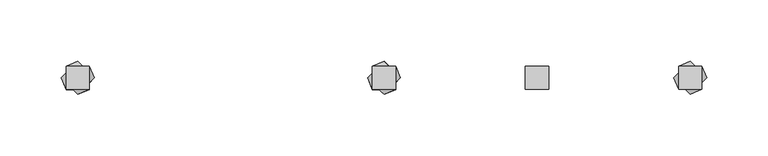
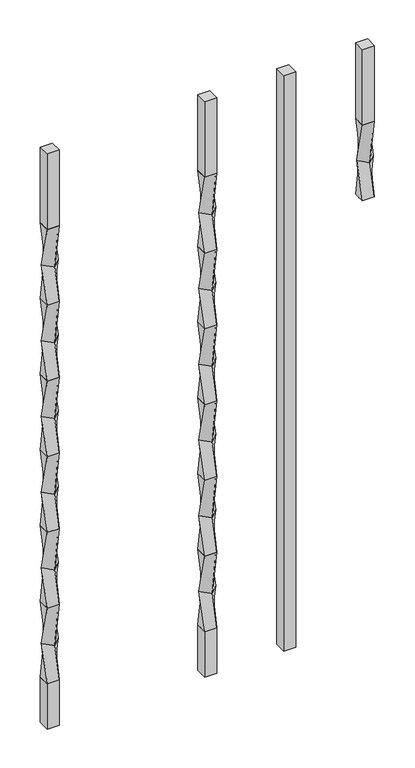
"""IFC4 building model written with IfcOpenShell, lengths in millimetres: proxy geometry."""

from ifc_helpers import new_model, si_unit, frame, origin, place, context, project, spatial, polyline, outline, extrude, source, transform, mapped, element, save
from ifc_brep_helpers import plane_surface, spline_surface, advanced_brep


def specialty_equipment_ef355e65(model_context):
    return source(origin(), model_context, "Body", "SolidModel", [
        advanced_brep(
        [(115.490625, 9.525, 939.8), (115.490625, -9.525, 939.8), (134.540625, -9.525, 939.8), (134.540625, 9.525, 939.8), (125.015625, 13.4703842, 876.3), (138.4860092, 0.0, 876.3), (125.015625, -13.4703842, 876.3), (111.5452408, 0.0, 876.3)],
        [
            (0, 1),
            (1, 2),
            (2, 3),
            (3, 0),
            (4, 5),
            (5, 6),
            (6, 7),
            (7, 4),
            (4, 0),
            (3, 5),
            (2, 6),
            (1, 7),
        ],
        [
            plane_surface(frame((125.015625, 0.0, 939.8), z_axis=(0.0, 0.0, 1.0), x_axis=(0.0, -1.0, 0.0))),
            plane_surface(frame((125.015625, 0.0, 876.3), z_axis=(0.0, 0.0, -1.0), x_axis=(0.0, -1.0, 0.0))),
            spline_surface(1, 1, [[(138.4860092, 0.0, 876.3), (134.540625, 9.525, 939.8)], [(125.015625, 13.4703842, 876.3), (115.490625, 9.525, 939.8)]], [2, 2], [2, 2], [0.0, 1.0], [0.0, 1.0]),
            spline_surface(1, 1, [[(125.015625, -13.4703842, 876.3), (134.540625, -9.525, 939.8)], [(138.4860092, 0.0, 876.3), (134.540625, 9.525, 939.8)]], [2, 2], [2, 2], [0.0, 1.0], [0.0, 1.0]),
            spline_surface(1, 1, [[(111.5452408, 0.0, 876.3), (115.490625, -9.525, 939.8)], [(125.015625, -13.4703842, 876.3), (134.540625, -9.525, 939.8)]], [2, 2], [2, 2], [0.0, 1.0], [0.0, 1.0]),
            spline_surface(1, 1, [[(125.015625, 13.4703842, 876.3), (115.490625, 9.525, 939.8)], [(111.5452408, 0.0, 876.3), (115.490625, -9.525, 939.8)]], [2, 2], [2, 2], [0.0, 1.0], [0.0, 1.0]),
        ],
        [
            (0, [[1, 2, 3, 4]]),
            (1, [[5, 6, 7, 8]]),
            (2, [[-5, 9, -4, 10]]),
            (3, [[-6, -10, -3, 11]]),
            (4, [[-7, -11, -2, 12]]),
            (5, [[-8, -12, -1, -9]]),
        ],
    ),
        advanced_brep(
        [(125.015625, 13.4703842, 876.3), (111.5452408, 0.0, 876.3), (125.015625, -13.4703842, 876.3), (138.4860092, 0.0, 876.3), (115.490625, 9.525, 812.8), (134.540625, 9.525, 812.8), (134.540625, -9.525, 812.8), (115.490625, -9.525, 812.8)],
        [
            (0, 1),
            (1, 2),
            (2, 3),
            (3, 0),
            (4, 5),
            (5, 6),
            (6, 7),
            (7, 4),
            (4, 0),
            (3, 5),
            (2, 6),
            (1, 7),
        ],
        [
            plane_surface(frame((125.015625, 0.0, 876.3), z_axis=(0.0, 0.0, 1.0000000000000002), x_axis=(0.7071067811865481, -0.707106781186547, 0.0))),
            plane_surface(frame((125.015625, 0.0, 812.8), z_axis=(0.0, 0.0, -1.0000000000000002), x_axis=(0.7071067811865481, -0.707106781186547, 0.0))),
            spline_surface(1, 1, [[(134.540625, 9.525, 812.8), (138.4860092, 0.0, 876.3)], [(115.490625, 9.525, 812.8), (125.015625, 13.4703842, 876.3)]], [2, 2], [2, 2], [0.0, 1.0], [0.0, 1.0]),
            spline_surface(1, 1, [[(134.540625, -9.525, 812.8), (125.015625, -13.4703842, 876.3)], [(134.540625, 9.525, 812.8), (138.4860092, 0.0, 876.3)]], [2, 2], [2, 2], [0.0, 1.0], [0.0, 1.0]),
            spline_surface(1, 1, [[(115.490625, -9.525, 812.8), (111.5452408, 0.0, 876.3)], [(134.540625, -9.525, 812.8), (125.015625, -13.4703842, 876.3)]], [2, 2], [2, 2], [0.0, 1.0], [0.0, 1.0]),
            spline_surface(1, 1, [[(115.490625, 9.525, 812.8), (125.015625, 13.4703842, 876.3)], [(115.490625, -9.525, 812.8), (111.5452408, 0.0, 876.3)]], [2, 2], [2, 2], [0.0, 1.0], [0.0, 1.0]),
        ],
        [
            (0, [[1, 2, 3, 4]]),
            (1, [[5, 6, 7, 8]]),
            (2, [[-5, 9, -4, 10]]),
            (3, [[-6, -10, -3, 11]]),
            (4, [[-7, -11, -2, 12]]),
            (5, [[-8, -12, -1, -9]]),
        ],
    ),
        extrude(outline(polyline([(134.540625, 9.525), (134.540625, -9.525), (115.490625, -9.525), (115.490625, 9.525), (134.540625, 9.525)])), frame((0.0, 0.0, 939.8), z_axis=(0.0, 0.0, 1.0), x_axis=(1.0, 0.0, 0.0)), (0.0, 0.0, 1.0), 127.0),
        advanced_brep(
        [(115.490625, 9.525, 812.8), (115.490625, -9.525, 812.8), (134.540625, -9.525, 812.8), (134.540625, 9.525, 812.8), (125.015625, 13.4703842, 749.3), (138.4860092, 0.0, 749.3), (125.015625, -13.4703842, 749.3), (111.5452408, 0.0, 749.3)],
        [
            (0, 1),
            (1, 2),
            (2, 3),
            (3, 0),
            (4, 5),
            (5, 6),
            (6, 7),
            (7, 4),
            (4, 0),
            (3, 5),
            (2, 6),
            (1, 7),
        ],
        [
            plane_surface(frame((125.015625, 0.0, 812.8), z_axis=(0.0, 0.0, 1.0), x_axis=(0.0, -1.0, 0.0))),
            plane_surface(frame((125.015625, 0.0, 749.3), z_axis=(0.0, 0.0, -1.0), x_axis=(0.0, -1.0, 0.0))),
            spline_surface(1, 1, [[(138.4860092, 0.0, 749.3), (134.540625, 9.525, 812.8)], [(125.015625, 13.4703842, 749.3), (115.490625, 9.525, 812.8)]], [2, 2], [2, 2], [0.0, 1.0], [0.0, 1.0]),
            spline_surface(1, 1, [[(125.015625, -13.4703842, 749.3), (134.540625, -9.525, 812.8)], [(138.4860092, 0.0, 749.3), (134.540625, 9.525, 812.8)]], [2, 2], [2, 2], [0.0, 1.0], [0.0, 1.0]),
            spline_surface(1, 1, [[(111.5452408, 0.0, 749.3), (115.490625, -9.525, 812.8)], [(125.015625, -13.4703842, 749.3), (134.540625, -9.525, 812.8)]], [2, 2], [2, 2], [0.0, 1.0], [0.0, 1.0]),
            spline_surface(1, 1, [[(125.015625, 13.4703842, 749.3), (115.490625, 9.525, 812.8)], [(111.5452408, 0.0, 749.3), (115.490625, -9.525, 812.8)]], [2, 2], [2, 2], [0.0, 1.0], [0.0, 1.0]),
        ],
        [
            (0, [[1, 2, 3, 4]]),
            (1, [[5, 6, 7, 8]]),
            (2, [[-5, 9, -4, 10]]),
            (3, [[-6, -10, -3, 11]]),
            (4, [[-7, -11, -2, 12]]),
            (5, [[-8, -12, -1, -9]]),
        ],
    ),
        advanced_brep(
        [(125.015625, 13.4703842, 749.3), (111.5452408, 0.0, 749.3), (125.015625, -13.4703842, 749.3), (138.4860092, 0.0, 749.3), (115.490625, 9.525, 685.8), (134.540625, 9.525, 685.8), (134.540625, -9.525, 685.8), (115.490625, -9.525, 685.8)],
        [
            (0, 1),
            (1, 2),
            (2, 3),
            (3, 0),
            (4, 5),
            (5, 6),
            (6, 7),
            (7, 4),
            (4, 0),
            (3, 5),
            (2, 6),
            (1, 7),
        ],
        [
            plane_surface(frame((125.015625, 0.0, 749.3), z_axis=(0.0, 0.0, 1.0000000000000002), x_axis=(0.7071067811865481, -0.707106781186547, 0.0))),
            plane_surface(frame((125.015625, 0.0, 685.8), z_axis=(0.0, 0.0, -1.0000000000000002), x_axis=(0.7071067811865481, -0.707106781186547, 0.0))),
            spline_surface(1, 1, [[(134.540625, 9.525, 685.8), (138.4860092, 0.0, 749.3)], [(115.490625, 9.525, 685.8), (125.015625, 13.4703842, 749.3)]], [2, 2], [2, 2], [0.0, 1.0], [0.0, 1.0]),
            spline_surface(1, 1, [[(134.540625, -9.525, 685.8), (125.015625, -13.4703842, 749.3)], [(134.540625, 9.525, 685.8), (138.4860092, 0.0, 749.3)]], [2, 2], [2, 2], [0.0, 1.0], [0.0, 1.0]),
            spline_surface(1, 1, [[(115.490625, -9.525, 685.8), (111.5452408, 0.0, 749.3)], [(134.540625, -9.525, 685.8), (125.015625, -13.4703842, 749.3)]], [2, 2], [2, 2], [0.0, 1.0], [0.0, 1.0]),
            spline_surface(1, 1, [[(115.490625, 9.525, 685.8), (125.015625, 13.4703842, 749.3)], [(115.490625, -9.525, 685.8), (111.5452408, 0.0, 749.3)]], [2, 2], [2, 2], [0.0, 1.0], [0.0, 1.0]),
        ],
        [
            (0, [[1, 2, 3, 4]]),
            (1, [[5, 6, 7, 8]]),
            (2, [[-5, 9, -4, 10]]),
            (3, [[-6, -10, -3, 11]]),
            (4, [[-7, -11, -2, 12]]),
            (5, [[-8, -12, -1, -9]]),
        ],
    ),
        advanced_brep(
        [(115.490625, 9.525, 685.8), (115.490625, -9.525, 685.8), (134.540625, -9.525, 685.8), (134.540625, 9.525, 685.8), (125.015625, 13.4703842, 622.3), (138.4860092, 0.0, 622.3), (125.015625, -13.4703842, 622.3), (111.5452408, 0.0, 622.3)],
        [
            (0, 1),
            (1, 2),
            (2, 3),
            (3, 0),
            (4, 5),
            (5, 6),
            (6, 7),
            (7, 4),
            (4, 0),
            (3, 5),
            (2, 6),
            (1, 7),
        ],
        [
            plane_surface(frame((125.015625, 0.0, 685.8), z_axis=(0.0, 0.0, 1.0), x_axis=(0.0, -1.0, 0.0))),
            plane_surface(frame((125.015625, 0.0, 622.3), z_axis=(0.0, 0.0, -1.0), x_axis=(0.0, -1.0, 0.0))),
            spline_surface(1, 1, [[(138.4860092, 0.0, 622.3), (134.540625, 9.525, 685.8)], [(125.015625, 13.4703842, 622.3), (115.490625, 9.525, 685.8)]], [2, 2], [2, 2], [0.0, 1.0], [0.0, 1.0]),
            spline_surface(1, 1, [[(125.015625, -13.4703842, 622.3), (134.540625, -9.525, 685.8)], [(138.4860092, 0.0, 622.3), (134.540625, 9.525, 685.8)]], [2, 2], [2, 2], [0.0, 1.0], [0.0, 1.0]),
            spline_surface(1, 1, [[(111.5452408, 0.0, 622.3), (115.490625, -9.525, 685.8)], [(125.015625, -13.4703842, 622.3), (134.540625, -9.525, 685.8)]], [2, 2], [2, 2], [0.0, 1.0], [0.0, 1.0]),
            spline_surface(1, 1, [[(125.015625, 13.4703842, 622.3), (115.490625, 9.525, 685.8)], [(111.5452408, 0.0, 622.3), (115.490625, -9.525, 685.8)]], [2, 2], [2, 2], [0.0, 1.0], [0.0, 1.0]),
        ],
        [
            (0, [[1, 2, 3, 4]]),
            (1, [[5, 6, 7, 8]]),
            (2, [[-5, 9, -4, 10]]),
            (3, [[-6, -10, -3, 11]]),
            (4, [[-7, -11, -2, 12]]),
            (5, [[-8, -12, -1, -9]]),
        ],
    ),
        advanced_brep(
        [(125.015625, 13.4703842, 622.3), (111.5452408, 0.0, 622.3), (125.015625, -13.4703842, 622.3), (138.4860092, 0.0, 622.3), (115.490625, 9.525, 558.8), (134.540625, 9.525, 558.8), (134.540625, -9.525, 558.8), (115.490625, -9.525, 558.8)],
        [
            (0, 1),
            (1, 2),
            (2, 3),
            (3, 0),
            (4, 5),
            (5, 6),
            (6, 7),
            (7, 4),
            (4, 0),
            (3, 5),
            (2, 6),
            (1, 7),
        ],
        [
            plane_surface(frame((125.015625, 0.0, 622.3), z_axis=(0.0, 0.0, 1.0000000000000002), x_axis=(0.7071067811865481, -0.707106781186547, 0.0))),
            plane_surface(frame((125.015625, 0.0, 558.8), z_axis=(0.0, 0.0, -1.0000000000000002), x_axis=(0.7071067811865481, -0.707106781186547, 0.0))),
            spline_surface(1, 1, [[(134.540625, 9.525, 558.8), (138.4860092, 0.0, 622.3)], [(115.490625, 9.525, 558.8), (125.015625, 13.4703842, 622.3)]], [2, 2], [2, 2], [0.0, 1.0], [0.0, 1.0]),
            spline_surface(1, 1, [[(134.540625, -9.525, 558.8), (125.015625, -13.4703842, 622.3)], [(134.540625, 9.525, 558.8), (138.4860092, 0.0, 622.3)]], [2, 2], [2, 2], [0.0, 1.0], [0.0, 1.0]),
            spline_surface(1, 1, [[(115.490625, -9.525, 558.8), (111.5452408, 0.0, 622.3)], [(134.540625, -9.525, 558.8), (125.015625, -13.4703842, 622.3)]], [2, 2], [2, 2], [0.0, 1.0], [0.0, 1.0]),
            spline_surface(1, 1, [[(115.490625, 9.525, 558.8), (125.015625, 13.4703842, 622.3)], [(115.490625, -9.525, 558.8), (111.5452408, 0.0, 622.3)]], [2, 2], [2, 2], [0.0, 1.0], [0.0, 1.0]),
        ],
        [
            (0, [[1, 2, 3, 4]]),
            (1, [[5, 6, 7, 8]]),
            (2, [[-5, 9, -4, 10]]),
            (3, [[-6, -10, -3, 11]]),
            (4, [[-7, -11, -2, 12]]),
            (5, [[-8, -12, -1, -9]]),
        ],
    ),
        advanced_brep(
        [(115.490625, 9.525, 558.8), (115.490625, -9.525, 558.8), (134.540625, -9.525, 558.8), (134.540625, 9.525, 558.8), (125.015625, 13.4703842, 495.3), (138.4860092, 0.0, 495.3), (125.015625, -13.4703842, 495.3), (111.5452408, 0.0, 495.3)],
        [
            (0, 1),
            (1, 2),
            (2, 3),
            (3, 0),
            (4, 5),
            (5, 6),
            (6, 7),
            (7, 4),
            (4, 0),
            (3, 5),
            (2, 6),
            (1, 7),
        ],
        [
            plane_surface(frame((125.015625, 0.0, 558.8), z_axis=(0.0, 0.0, 1.0), x_axis=(0.0, -1.0, 0.0))),
            plane_surface(frame((125.015625, 0.0, 495.3), z_axis=(0.0, 0.0, -1.0), x_axis=(0.0, -1.0, 0.0))),
            spline_surface(1, 1, [[(138.4860092, 0.0, 495.3), (134.540625, 9.525, 558.8)], [(125.015625, 13.4703842, 495.3), (115.490625, 9.525, 558.8)]], [2, 2], [2, 2], [0.0, 1.0], [0.0, 1.0]),
            spline_surface(1, 1, [[(125.015625, -13.4703842, 495.3), (134.540625, -9.525, 558.8)], [(138.4860092, 0.0, 495.3), (134.540625, 9.525, 558.8)]], [2, 2], [2, 2], [0.0, 1.0], [0.0, 1.0]),
            spline_surface(1, 1, [[(111.5452408, 0.0, 495.3), (115.490625, -9.525, 558.8)], [(125.015625, -13.4703842, 495.3), (134.540625, -9.525, 558.8)]], [2, 2], [2, 2], [0.0, 1.0], [0.0, 1.0]),
            spline_surface(1, 1, [[(125.015625, 13.4703842, 495.3), (115.490625, 9.525, 558.8)], [(111.5452408, 0.0, 495.3), (115.490625, -9.525, 558.8)]], [2, 2], [2, 2], [0.0, 1.0], [0.0, 1.0]),
        ],
        [
            (0, [[1, 2, 3, 4]]),
            (1, [[5, 6, 7, 8]]),
            (2, [[-5, 9, -4, 10]]),
            (3, [[-6, -10, -3, 11]]),
            (4, [[-7, -11, -2, 12]]),
            (5, [[-8, -12, -1, -9]]),
        ],
    ),
        advanced_brep(
        [(125.015625, 13.4703842, 495.3), (111.5452408, 0.0, 495.3), (125.015625, -13.4703842, 495.3), (138.4860092, 0.0, 495.3), (115.490625, 9.525, 431.8), (134.540625, 9.525, 431.8), (134.540625, -9.525, 431.8), (115.490625, -9.525, 431.8)],
        [
            (0, 1),
            (1, 2),
            (2, 3),
            (3, 0),
            (4, 5),
            (5, 6),
            (6, 7),
            (7, 4),
            (4, 0),
            (3, 5),
            (2, 6),
            (1, 7),
        ],
        [
            plane_surface(frame((125.015625, 0.0, 495.3), z_axis=(0.0, 0.0, 1.0000000000000002), x_axis=(0.7071067811865481, -0.707106781186547, 0.0))),
            plane_surface(frame((125.015625, 0.0, 431.8), z_axis=(0.0, 0.0, -1.0000000000000002), x_axis=(0.7071067811865481, -0.707106781186547, 0.0))),
            spline_surface(1, 1, [[(134.540625, 9.525, 431.8), (138.4860092, 0.0, 495.3)], [(115.490625, 9.525, 431.8), (125.015625, 13.4703842, 495.3)]], [2, 2], [2, 2], [0.0, 1.0], [0.0, 1.0]),
            spline_surface(1, 1, [[(134.540625, -9.525, 431.8), (125.015625, -13.4703842, 495.3)], [(134.540625, 9.525, 431.8), (138.4860092, 0.0, 495.3)]], [2, 2], [2, 2], [0.0, 1.0], [0.0, 1.0]),
            spline_surface(1, 1, [[(115.490625, -9.525, 431.8), (111.5452408, 0.0, 495.3)], [(134.540625, -9.525, 431.8), (125.015625, -13.4703842, 495.3)]], [2, 2], [2, 2], [0.0, 1.0], [0.0, 1.0]),
            spline_surface(1, 1, [[(115.490625, 9.525, 431.8), (125.015625, 13.4703842, 495.3)], [(115.490625, -9.525, 431.8), (111.5452408, 0.0, 495.3)]], [2, 2], [2, 2], [0.0, 1.0], [0.0, 1.0]),
        ],
        [
            (0, [[1, 2, 3, 4]]),
            (1, [[5, 6, 7, 8]]),
            (2, [[-5, 9, -4, 10]]),
            (3, [[-6, -10, -3, 11]]),
            (4, [[-7, -11, -2, 12]]),
            (5, [[-8, -12, -1, -9]]),
        ],
    ),
        advanced_brep(
        [(115.490625, 9.525, 431.8), (115.490625, -9.525, 431.8), (134.540625, -9.525, 431.8), (134.540625, 9.525, 431.8), (125.015625, 13.4703842, 368.3), (138.4860092, 0.0, 368.3), (125.015625, -13.4703842, 368.3), (111.5452408, 0.0, 368.3)],
        [
            (0, 1),
            (1, 2),
            (2, 3),
            (3, 0),
            (4, 5),
            (5, 6),
            (6, 7),
            (7, 4),
            (4, 0),
            (3, 5),
            (2, 6),
            (1, 7),
        ],
        [
            plane_surface(frame((125.015625, 0.0, 431.8), z_axis=(0.0, 0.0, 1.0), x_axis=(0.0, -1.0, 0.0))),
            plane_surface(frame((125.015625, 0.0, 368.3), z_axis=(0.0, 0.0, -1.0), x_axis=(0.0, -1.0, 0.0))),
            spline_surface(1, 1, [[(138.4860092, 0.0, 368.3), (134.540625, 9.525, 431.8)], [(125.015625, 13.4703842, 368.3), (115.490625, 9.525, 431.8)]], [2, 2], [2, 2], [0.0, 1.0], [0.0, 1.0]),
            spline_surface(1, 1, [[(125.015625, -13.4703842, 368.3), (134.540625, -9.525, 431.8)], [(138.4860092, 0.0, 368.3), (134.540625, 9.525, 431.8)]], [2, 2], [2, 2], [0.0, 1.0], [0.0, 1.0]),
            spline_surface(1, 1, [[(111.5452408, 0.0, 368.3), (115.490625, -9.525, 431.8)], [(125.015625, -13.4703842, 368.3), (134.540625, -9.525, 431.8)]], [2, 2], [2, 2], [0.0, 1.0], [0.0, 1.0]),
            spline_surface(1, 1, [[(125.015625, 13.4703842, 368.3), (115.490625, 9.525, 431.8)], [(111.5452408, 0.0, 368.3), (115.490625, -9.525, 431.8)]], [2, 2], [2, 2], [0.0, 1.0], [0.0, 1.0]),
        ],
        [
            (0, [[1, 2, 3, 4]]),
            (1, [[5, 6, 7, 8]]),
            (2, [[-5, 9, -4, 10]]),
            (3, [[-6, -10, -3, 11]]),
            (4, [[-7, -11, -2, 12]]),
            (5, [[-8, -12, -1, -9]]),
        ],
    ),
        advanced_brep(
        [(125.015625, 13.4703842, 368.3), (111.5452408, 0.0, 368.3), (125.015625, -13.4703842, 368.3), (138.4860092, 0.0, 368.3), (115.490625, 9.525, 304.8), (134.540625, 9.525, 304.8), (134.540625, -9.525, 304.8), (115.490625, -9.525, 304.8)],
        [
            (0, 1),
            (1, 2),
            (2, 3),
            (3, 0),
            (4, 5),
            (5, 6),
            (6, 7),
            (7, 4),
            (4, 0),
            (3, 5),
            (2, 6),
            (1, 7),
        ],
        [
            plane_surface(frame((125.015625, 0.0, 368.3), z_axis=(0.0, 0.0, 1.0000000000000002), x_axis=(0.7071067811865481, -0.707106781186547, 0.0))),
            plane_surface(frame((125.015625, 0.0, 304.8), z_axis=(0.0, 0.0, -1.0000000000000002), x_axis=(0.7071067811865481, -0.707106781186547, 0.0))),
            spline_surface(1, 1, [[(134.540625, 9.525, 304.8), (138.4860092, 0.0, 368.3)], [(115.490625, 9.525, 304.8), (125.015625, 13.4703842, 368.3)]], [2, 2], [2, 2], [0.0, 1.0], [0.0, 1.0]),
            spline_surface(1, 1, [[(134.540625, -9.525, 304.8), (125.015625, -13.4703842, 368.3)], [(134.540625, 9.525, 304.8), (138.4860092, 0.0, 368.3)]], [2, 2], [2, 2], [0.0, 1.0], [0.0, 1.0]),
            spline_surface(1, 1, [[(115.490625, -9.525, 304.8), (111.5452408, 0.0, 368.3)], [(134.540625, -9.525, 304.8), (125.015625, -13.4703842, 368.3)]], [2, 2], [2, 2], [0.0, 1.0], [0.0, 1.0]),
            spline_surface(1, 1, [[(115.490625, 9.525, 304.8), (125.015625, 13.4703842, 368.3)], [(115.490625, -9.525, 304.8), (111.5452408, 0.0, 368.3)]], [2, 2], [2, 2], [0.0, 1.0], [0.0, 1.0]),
        ],
        [
            (0, [[1, 2, 3, 4]]),
            (1, [[5, 6, 7, 8]]),
            (2, [[-5, 9, -4, 10]]),
            (3, [[-6, -10, -3, 11]]),
            (4, [[-7, -11, -2, 12]]),
            (5, [[-8, -12, -1, -9]]),
        ],
    ),
        advanced_brep(
        [(115.490625, 9.525, 304.8), (115.490625, -9.525, 304.8), (134.540625, -9.525, 304.8), (134.540625, 9.525, 304.8), (125.015625, 13.4703842, 241.3), (138.4860092, 0.0, 241.3), (125.015625, -13.4703842, 241.3), (111.5452408, 0.0, 241.3)],
        [
            (0, 1),
            (1, 2),
            (2, 3),
            (3, 0),
            (4, 5),
            (5, 6),
            (6, 7),
            (7, 4),
            (4, 0),
            (3, 5),
            (2, 6),
            (1, 7),
        ],
        [
            plane_surface(frame((125.015625, 0.0, 304.8), z_axis=(0.0, 0.0, 1.0), x_axis=(0.0, -1.0, 0.0))),
            plane_surface(frame((125.015625, 0.0, 241.3), z_axis=(0.0, 0.0, -1.0), x_axis=(0.0, -1.0, 0.0))),
            spline_surface(1, 1, [[(138.4860092, 0.0, 241.3), (134.540625, 9.525, 304.8)], [(125.015625, 13.4703842, 241.3), (115.490625, 9.525, 304.8)]], [2, 2], [2, 2], [0.0, 1.0], [0.0, 1.0]),
            spline_surface(1, 1, [[(125.015625, -13.4703842, 241.3), (134.540625, -9.525, 304.8)], [(138.4860092, 0.0, 241.3), (134.540625, 9.525, 304.8)]], [2, 2], [2, 2], [0.0, 1.0], [0.0, 1.0]),
            spline_surface(1, 1, [[(111.5452408, 0.0, 241.3), (115.490625, -9.525, 304.8)], [(125.015625, -13.4703842, 241.3), (134.540625, -9.525, 304.8)]], [2, 2], [2, 2], [0.0, 1.0], [0.0, 1.0]),
            spline_surface(1, 1, [[(125.015625, 13.4703842, 241.3), (115.490625, 9.525, 304.8)], [(111.5452408, 0.0, 241.3), (115.490625, -9.525, 304.8)]], [2, 2], [2, 2], [0.0, 1.0], [0.0, 1.0]),
        ],
        [
            (0, [[1, 2, 3, 4]]),
            (1, [[5, 6, 7, 8]]),
            (2, [[-5, 9, -4, 10]]),
            (3, [[-6, -10, -3, 11]]),
            (4, [[-7, -11, -2, 12]]),
            (5, [[-8, -12, -1, -9]]),
        ],
    ),
        advanced_brep(
        [(125.015625, 13.4703842, 241.3), (111.5452408, 0.0, 241.3), (125.015625, -13.4703842, 241.3), (138.4860092, 0.0, 241.3), (115.490625, 9.525, 177.8), (134.540625, 9.525, 177.8), (134.540625, -9.525, 177.8), (115.490625, -9.525, 177.8)],
        [
            (0, 1),
            (1, 2),
            (2, 3),
            (3, 0),
            (4, 5),
            (5, 6),
            (6, 7),
            (7, 4),
            (4, 0),
            (3, 5),
            (2, 6),
            (1, 7),
        ],
        [
            plane_surface(frame((125.015625, 0.0, 241.3), z_axis=(0.0, 0.0, 1.0000000000000002), x_axis=(0.7071067811865481, -0.707106781186547, 0.0))),
            plane_surface(frame((125.015625, 0.0, 177.8), z_axis=(0.0, 0.0, -1.0000000000000002), x_axis=(0.7071067811865481, -0.707106781186547, 0.0))),
            spline_surface(1, 1, [[(134.540625, 9.525, 177.8), (138.4860092, 0.0, 241.3)], [(115.490625, 9.525, 177.8), (125.015625, 13.4703842, 241.3)]], [2, 2], [2, 2], [0.0, 1.0], [0.0, 1.0]),
            spline_surface(1, 1, [[(134.540625, -9.525, 177.8), (125.015625, -13.4703842, 241.3)], [(134.540625, 9.525, 177.8), (138.4860092, 0.0, 241.3)]], [2, 2], [2, 2], [0.0, 1.0], [0.0, 1.0]),
            spline_surface(1, 1, [[(115.490625, -9.525, 177.8), (111.5452408, 0.0, 241.3)], [(134.540625, -9.525, 177.8), (125.015625, -13.4703842, 241.3)]], [2, 2], [2, 2], [0.0, 1.0], [0.0, 1.0]),
            spline_surface(1, 1, [[(115.490625, 9.525, 177.8), (125.015625, 13.4703842, 241.3)], [(115.490625, -9.525, 177.8), (111.5452408, 0.0, 241.3)]], [2, 2], [2, 2], [0.0, 1.0], [0.0, 1.0]),
        ],
        [
            (0, [[1, 2, 3, 4]]),
            (1, [[5, 6, 7, 8]]),
            (2, [[-5, 9, -4, 10]]),
            (3, [[-6, -10, -3, 11]]),
            (4, [[-7, -11, -2, 12]]),
            (5, [[-8, -12, -1, -9]]),
        ],
    ),
        extrude(outline(polyline([(134.540625, 9.525), (134.540625, -9.525), (115.490625, -9.525), (115.490625, 9.525), (134.540625, 9.525)])), frame((0.0, 0.0, 101.6), z_axis=(0.0, 0.0, 1.0), x_axis=(1.0, 0.0, 0.0)), (0.0, 0.0, 1.0), 76.2),
        extrude(outline(polyline([(259.55625, 9.525), (259.55625, -9.525), (240.50625, -9.525), (240.50625, 9.525), (259.55625, 9.525)])), frame((0.0, 0.0, 101.6), z_axis=(0.0, 0.0, 1.0), x_axis=(1.0, 0.0, 0.0)), (0.0, 0.0, 1.0), 965.2),
        advanced_brep(
        [(-134.540625, 9.525, 939.8), (-134.540625, -9.525, 939.8), (-115.490625, -9.525, 939.8), (-115.490625, 9.525, 939.8), (-125.015625, 13.4703842, 876.3), (-111.5452408, 0.0, 876.3), (-125.015625, -13.4703842, 876.3), (-138.4860092, 0.0, 876.3)],
        [
            (0, 1),
            (1, 2),
            (2, 3),
            (3, 0),
            (4, 5),
            (5, 6),
            (6, 7),
            (7, 4),
            (4, 0),
            (3, 5),
            (2, 6),
            (1, 7),
        ],
        [
            plane_surface(frame((-125.015625, 0.0, 939.8), z_axis=(0.0, 0.0, 1.0), x_axis=(0.0, -1.0, 0.0))),
            plane_surface(frame((-125.015625, 0.0, 876.3), z_axis=(0.0, 0.0, -1.0), x_axis=(0.0, -1.0, 0.0))),
            spline_surface(1, 1, [[(-111.5452408, 0.0, 876.3), (-115.490625, 9.525, 939.8)], [(-125.015625, 13.4703842, 876.3), (-134.540625, 9.525, 939.8)]], [2, 2], [2, 2], [0.0, 1.0], [0.0, 1.0]),
            spline_surface(1, 1, [[(-125.015625, -13.4703842, 876.3), (-115.490625, -9.525, 939.8)], [(-111.5452408, 0.0, 876.3), (-115.490625, 9.525, 939.8)]], [2, 2], [2, 2], [0.0, 1.0], [0.0, 1.0]),
            spline_surface(1, 1, [[(-138.4860092, 0.0, 876.3), (-134.540625, -9.525, 939.8)], [(-125.015625, -13.4703842, 876.3), (-115.490625, -9.525, 939.8)]], [2, 2], [2, 2], [0.0, 1.0], [0.0, 1.0]),
            spline_surface(1, 1, [[(-125.015625, 13.4703842, 876.3), (-134.540625, 9.525, 939.8)], [(-138.4860092, 0.0, 876.3), (-134.540625, -9.525, 939.8)]], [2, 2], [2, 2], [0.0, 1.0], [0.0, 1.0]),
        ],
        [
            (0, [[1, 2, 3, 4]]),
            (1, [[5, 6, 7, 8]]),
            (2, [[-5, 9, -4, 10]]),
            (3, [[-6, -10, -3, 11]]),
            (4, [[-7, -11, -2, 12]]),
            (5, [[-8, -12, -1, -9]]),
        ],
    ),
        advanced_brep(
        [(-125.015625, 13.4703842, 876.3), (-138.4860092, 0.0, 876.3), (-125.015625, -13.4703842, 876.3), (-111.5452408, 0.0, 876.3), (-134.540625, 9.525, 812.8), (-115.490625, 9.525, 812.8), (-115.490625, -9.525, 812.8), (-134.540625, -9.525, 812.8)],
        [
            (0, 1),
            (1, 2),
            (2, 3),
            (3, 0),
            (4, 5),
            (5, 6),
            (6, 7),
            (7, 4),
            (4, 0),
            (3, 5),
            (2, 6),
            (1, 7),
        ],
        [
            plane_surface(frame((-125.015625, 0.0, 876.3), z_axis=(0.0, 0.0, 1.0000000000000002), x_axis=(0.7071067811865481, -0.707106781186547, 0.0))),
            plane_surface(frame((-125.015625, 0.0, 812.8), z_axis=(0.0, 0.0, -1.0000000000000002), x_axis=(0.7071067811865481, -0.707106781186547, 0.0))),
            spline_surface(1, 1, [[(-115.490625, 9.525, 812.8), (-111.5452408, 0.0, 876.3)], [(-134.540625, 9.525, 812.8), (-125.015625, 13.4703842, 876.3)]], [2, 2], [2, 2], [0.0, 1.0], [0.0, 1.0]),
            spline_surface(1, 1, [[(-115.490625, -9.525, 812.8), (-125.015625, -13.4703842, 876.3)], [(-115.490625, 9.525, 812.8), (-111.5452408, 0.0, 876.3)]], [2, 2], [2, 2], [0.0, 1.0], [0.0, 1.0]),
            spline_surface(1, 1, [[(-134.540625, -9.525, 812.8), (-138.4860092, 0.0, 876.3)], [(-115.490625, -9.525, 812.8), (-125.015625, -13.4703842, 876.3)]], [2, 2], [2, 2], [0.0, 1.0], [0.0, 1.0]),
            spline_surface(1, 1, [[(-134.540625, 9.525, 812.8), (-125.015625, 13.4703842, 876.3)], [(-134.540625, -9.525, 812.8), (-138.4860092, 0.0, 876.3)]], [2, 2], [2, 2], [0.0, 1.0], [0.0, 1.0]),
        ],
        [
            (0, [[1, 2, 3, 4]]),
            (1, [[5, 6, 7, 8]]),
            (2, [[-5, 9, -4, 10]]),
            (3, [[-6, -10, -3, 11]]),
            (4, [[-7, -11, -2, 12]]),
            (5, [[-8, -12, -1, -9]]),
        ],
    ),
        extrude(outline(polyline([(-115.490625, 9.525), (-115.490625, -9.525), (-134.540625, -9.525), (-134.540625, 9.525), (-115.490625, 9.525)])), frame((0.0, 0.0, 939.8), z_axis=(0.0, 0.0, 1.0), x_axis=(1.0, 0.0, 0.0)), (0.0, 0.0, 1.0), 127.0),
        advanced_brep(
        [(-134.540625, 9.525, 812.8), (-134.540625, -9.525, 812.8), (-115.490625, -9.525, 812.8), (-115.490625, 9.525, 812.8), (-125.015625, 13.4703842, 749.3), (-111.5452408, 0.0, 749.3), (-125.015625, -13.4703842, 749.3), (-138.4860092, 0.0, 749.3)],
        [
            (0, 1),
            (1, 2),
            (2, 3),
            (3, 0),
            (4, 5),
            (5, 6),
            (6, 7),
            (7, 4),
            (4, 0),
            (3, 5),
            (2, 6),
            (1, 7),
        ],
        [
            plane_surface(frame((-125.015625, 0.0, 812.8), z_axis=(0.0, 0.0, 1.0), x_axis=(0.0, -1.0, 0.0))),
            plane_surface(frame((-125.015625, 0.0, 749.3), z_axis=(0.0, 0.0, -1.0), x_axis=(0.0, -1.0, 0.0))),
            spline_surface(1, 1, [[(-111.5452408, 0.0, 749.3), (-115.490625, 9.525, 812.8)], [(-125.015625, 13.4703842, 749.3), (-134.540625, 9.525, 812.8)]], [2, 2], [2, 2], [0.0, 1.0], [0.0, 1.0]),
            spline_surface(1, 1, [[(-125.015625, -13.4703842, 749.3), (-115.490625, -9.525, 812.8)], [(-111.5452408, 0.0, 749.3), (-115.490625, 9.525, 812.8)]], [2, 2], [2, 2], [0.0, 1.0], [0.0, 1.0]),
            spline_surface(1, 1, [[(-138.4860092, 0.0, 749.3), (-134.540625, -9.525, 812.8)], [(-125.015625, -13.4703842, 749.3), (-115.490625, -9.525, 812.8)]], [2, 2], [2, 2], [0.0, 1.0], [0.0, 1.0]),
            spline_surface(1, 1, [[(-125.015625, 13.4703842, 749.3), (-134.540625, 9.525, 812.8)], [(-138.4860092, 0.0, 749.3), (-134.540625, -9.525, 812.8)]], [2, 2], [2, 2], [0.0, 1.0], [0.0, 1.0]),
        ],
        [
            (0, [[1, 2, 3, 4]]),
            (1, [[5, 6, 7, 8]]),
            (2, [[-5, 9, -4, 10]]),
            (3, [[-6, -10, -3, 11]]),
            (4, [[-7, -11, -2, 12]]),
            (5, [[-8, -12, -1, -9]]),
        ],
    ),
        advanced_brep(
        [(-125.015625, 13.4703842, 749.3), (-138.4860092, 0.0, 749.3), (-125.015625, -13.4703842, 749.3), (-111.5452408, 0.0, 749.3), (-134.540625, 9.525, 685.8), (-115.490625, 9.525, 685.8), (-115.490625, -9.525, 685.8), (-134.540625, -9.525, 685.8)],
        [
            (0, 1),
            (1, 2),
            (2, 3),
            (3, 0),
            (4, 5),
            (5, 6),
            (6, 7),
            (7, 4),
            (4, 0),
            (3, 5),
            (2, 6),
            (1, 7),
        ],
        [
            plane_surface(frame((-125.015625, 0.0, 749.3), z_axis=(0.0, 0.0, 1.0000000000000002), x_axis=(0.7071067811865481, -0.707106781186547, 0.0))),
            plane_surface(frame((-125.015625, 0.0, 685.8), z_axis=(0.0, 0.0, -1.0000000000000002), x_axis=(0.7071067811865481, -0.707106781186547, 0.0))),
            spline_surface(1, 1, [[(-115.490625, 9.525, 685.8), (-111.5452408, 0.0, 749.3)], [(-134.540625, 9.525, 685.8), (-125.015625, 13.4703842, 749.3)]], [2, 2], [2, 2], [0.0, 1.0], [0.0, 1.0]),
            spline_surface(1, 1, [[(-115.490625, -9.525, 685.8), (-125.015625, -13.4703842, 749.3)], [(-115.490625, 9.525, 685.8), (-111.5452408, 0.0, 749.3)]], [2, 2], [2, 2], [0.0, 1.0], [0.0, 1.0]),
            spline_surface(1, 1, [[(-134.540625, -9.525, 685.8), (-138.4860092, 0.0, 749.3)], [(-115.490625, -9.525, 685.8), (-125.015625, -13.4703842, 749.3)]], [2, 2], [2, 2], [0.0, 1.0], [0.0, 1.0]),
            spline_surface(1, 1, [[(-134.540625, 9.525, 685.8), (-125.015625, 13.4703842, 749.3)], [(-134.540625, -9.525, 685.8), (-138.4860092, 0.0, 749.3)]], [2, 2], [2, 2], [0.0, 1.0], [0.0, 1.0]),
        ],
        [
            (0, [[1, 2, 3, 4]]),
            (1, [[5, 6, 7, 8]]),
            (2, [[-5, 9, -4, 10]]),
            (3, [[-6, -10, -3, 11]]),
            (4, [[-7, -11, -2, 12]]),
            (5, [[-8, -12, -1, -9]]),
        ],
    ),
        advanced_brep(
        [(-134.540625, 9.525, 685.8), (-134.540625, -9.525, 685.8), (-115.490625, -9.525, 685.8), (-115.490625, 9.525, 685.8), (-125.015625, 13.4703842, 622.3), (-111.5452408, 0.0, 622.3), (-125.015625, -13.4703842, 622.3), (-138.4860092, 0.0, 622.3)],
        [
            (0, 1),
            (1, 2),
            (2, 3),
            (3, 0),
            (4, 5),
            (5, 6),
            (6, 7),
            (7, 4),
            (4, 0),
            (3, 5),
            (2, 6),
            (1, 7),
        ],
        [
            plane_surface(frame((-125.015625, 0.0, 685.8), z_axis=(0.0, 0.0, 1.0), x_axis=(0.0, -1.0, 0.0))),
            plane_surface(frame((-125.015625, 0.0, 622.3), z_axis=(0.0, 0.0, -1.0), x_axis=(0.0, -1.0, 0.0))),
            spline_surface(1, 1, [[(-111.5452408, 0.0, 622.3), (-115.490625, 9.525, 685.8)], [(-125.015625, 13.4703842, 622.3), (-134.540625, 9.525, 685.8)]], [2, 2], [2, 2], [0.0, 1.0], [0.0, 1.0]),
            spline_surface(1, 1, [[(-125.015625, -13.4703842, 622.3), (-115.490625, -9.525, 685.8)], [(-111.5452408, 0.0, 622.3), (-115.490625, 9.525, 685.8)]], [2, 2], [2, 2], [0.0, 1.0], [0.0, 1.0]),
            spline_surface(1, 1, [[(-138.4860092, 0.0, 622.3), (-134.540625, -9.525, 685.8)], [(-125.015625, -13.4703842, 622.3), (-115.490625, -9.525, 685.8)]], [2, 2], [2, 2], [0.0, 1.0], [0.0, 1.0]),
            spline_surface(1, 1, [[(-125.015625, 13.4703842, 622.3), (-134.540625, 9.525, 685.8)], [(-138.4860092, 0.0, 622.3), (-134.540625, -9.525, 685.8)]], [2, 2], [2, 2], [0.0, 1.0], [0.0, 1.0]),
        ],
        [
            (0, [[1, 2, 3, 4]]),
            (1, [[5, 6, 7, 8]]),
            (2, [[-5, 9, -4, 10]]),
            (3, [[-6, -10, -3, 11]]),
            (4, [[-7, -11, -2, 12]]),
            (5, [[-8, -12, -1, -9]]),
        ],
    ),
        advanced_brep(
        [(-125.015625, 13.4703842, 622.3), (-138.4860092, 0.0, 622.3), (-125.015625, -13.4703842, 622.3), (-111.5452408, 0.0, 622.3), (-134.540625, 9.525, 558.8), (-115.490625, 9.525, 558.8), (-115.490625, -9.525, 558.8), (-134.540625, -9.525, 558.8)],
        [
            (0, 1),
            (1, 2),
            (2, 3),
            (3, 0),
            (4, 5),
            (5, 6),
            (6, 7),
            (7, 4),
            (4, 0),
            (3, 5),
            (2, 6),
            (1, 7),
        ],
        [
            plane_surface(frame((-125.015625, 0.0, 622.3), z_axis=(0.0, 0.0, 1.0000000000000002), x_axis=(0.7071067811865481, -0.707106781186547, 0.0))),
            plane_surface(frame((-125.015625, 0.0, 558.8), z_axis=(0.0, 0.0, -1.0000000000000002), x_axis=(0.7071067811865481, -0.707106781186547, 0.0))),
            spline_surface(1, 1, [[(-115.490625, 9.525, 558.8), (-111.5452408, 0.0, 622.3)], [(-134.540625, 9.525, 558.8), (-125.015625, 13.4703842, 622.3)]], [2, 2], [2, 2], [0.0, 1.0], [0.0, 1.0]),
            spline_surface(1, 1, [[(-115.490625, -9.525, 558.8), (-125.015625, -13.4703842, 622.3)], [(-115.490625, 9.525, 558.8), (-111.5452408, 0.0, 622.3)]], [2, 2], [2, 2], [0.0, 1.0], [0.0, 1.0]),
            spline_surface(1, 1, [[(-134.540625, -9.525, 558.8), (-138.4860092, 0.0, 622.3)], [(-115.490625, -9.525, 558.8), (-125.015625, -13.4703842, 622.3)]], [2, 2], [2, 2], [0.0, 1.0], [0.0, 1.0]),
            spline_surface(1, 1, [[(-134.540625, 9.525, 558.8), (-125.015625, 13.4703842, 622.3)], [(-134.540625, -9.525, 558.8), (-138.4860092, 0.0, 622.3)]], [2, 2], [2, 2], [0.0, 1.0], [0.0, 1.0]),
        ],
        [
            (0, [[1, 2, 3, 4]]),
            (1, [[5, 6, 7, 8]]),
            (2, [[-5, 9, -4, 10]]),
            (3, [[-6, -10, -3, 11]]),
            (4, [[-7, -11, -2, 12]]),
            (5, [[-8, -12, -1, -9]]),
        ],
    ),
        advanced_brep(
        [(-134.540625, 9.525, 558.8), (-134.540625, -9.525, 558.8), (-115.490625, -9.525, 558.8), (-115.490625, 9.525, 558.8), (-125.015625, 13.4703842, 495.3), (-111.5452408, 0.0, 495.3), (-125.015625, -13.4703842, 495.3), (-138.4860092, 0.0, 495.3)],
        [
            (0, 1),
            (1, 2),
            (2, 3),
            (3, 0),
            (4, 5),
            (5, 6),
            (6, 7),
            (7, 4),
            (4, 0),
            (3, 5),
            (2, 6),
            (1, 7),
        ],
        [
            plane_surface(frame((-125.015625, 0.0, 558.8), z_axis=(0.0, 0.0, 1.0), x_axis=(0.0, -1.0, 0.0))),
            plane_surface(frame((-125.015625, 0.0, 495.3), z_axis=(0.0, 0.0, -1.0), x_axis=(0.0, -1.0, 0.0))),
            spline_surface(1, 1, [[(-111.5452408, 0.0, 495.3), (-115.490625, 9.525, 558.8)], [(-125.015625, 13.4703842, 495.3), (-134.540625, 9.525, 558.8)]], [2, 2], [2, 2], [0.0, 1.0], [0.0, 1.0]),
            spline_surface(1, 1, [[(-125.015625, -13.4703842, 495.3), (-115.490625, -9.525, 558.8)], [(-111.5452408, 0.0, 495.3), (-115.490625, 9.525, 558.8)]], [2, 2], [2, 2], [0.0, 1.0], [0.0, 1.0]),
            spline_surface(1, 1, [[(-138.4860092, 0.0, 495.3), (-134.540625, -9.525, 558.8)], [(-125.015625, -13.4703842, 495.3), (-115.490625, -9.525, 558.8)]], [2, 2], [2, 2], [0.0, 1.0], [0.0, 1.0]),
            spline_surface(1, 1, [[(-125.015625, 13.4703842, 495.3), (-134.540625, 9.525, 558.8)], [(-138.4860092, 0.0, 495.3), (-134.540625, -9.525, 558.8)]], [2, 2], [2, 2], [0.0, 1.0], [0.0, 1.0]),
        ],
        [
            (0, [[1, 2, 3, 4]]),
            (1, [[5, 6, 7, 8]]),
            (2, [[-5, 9, -4, 10]]),
            (3, [[-6, -10, -3, 11]]),
            (4, [[-7, -11, -2, 12]]),
            (5, [[-8, -12, -1, -9]]),
        ],
    ),
        advanced_brep(
        [(-125.015625, 13.4703842, 495.3), (-138.4860092, 0.0, 495.3), (-125.015625, -13.4703842, 495.3), (-111.5452408, 0.0, 495.3), (-134.540625, 9.525, 431.8), (-115.490625, 9.525, 431.8), (-115.490625, -9.525, 431.8), (-134.540625, -9.525, 431.8)],
        [
            (0, 1),
            (1, 2),
            (2, 3),
            (3, 0),
            (4, 5),
            (5, 6),
            (6, 7),
            (7, 4),
            (4, 0),
            (3, 5),
            (2, 6),
            (1, 7),
        ],
        [
            plane_surface(frame((-125.015625, 0.0, 495.3), z_axis=(0.0, 0.0, 1.0000000000000002), x_axis=(0.7071067811865481, -0.707106781186547, 0.0))),
            plane_surface(frame((-125.015625, 0.0, 431.8), z_axis=(0.0, 0.0, -1.0000000000000002), x_axis=(0.7071067811865481, -0.707106781186547, 0.0))),
            spline_surface(1, 1, [[(-115.490625, 9.525, 431.8), (-111.5452408, 0.0, 495.3)], [(-134.540625, 9.525, 431.8), (-125.015625, 13.4703842, 495.3)]], [2, 2], [2, 2], [0.0, 1.0], [0.0, 1.0]),
            spline_surface(1, 1, [[(-115.490625, -9.525, 431.8), (-125.015625, -13.4703842, 495.3)], [(-115.490625, 9.525, 431.8), (-111.5452408, 0.0, 495.3)]], [2, 2], [2, 2], [0.0, 1.0], [0.0, 1.0]),
            spline_surface(1, 1, [[(-134.540625, -9.525, 431.8), (-138.4860092, 0.0, 495.3)], [(-115.490625, -9.525, 431.8), (-125.015625, -13.4703842, 495.3)]], [2, 2], [2, 2], [0.0, 1.0], [0.0, 1.0]),
            spline_surface(1, 1, [[(-134.540625, 9.525, 431.8), (-125.015625, 13.4703842, 495.3)], [(-134.540625, -9.525, 431.8), (-138.4860092, 0.0, 495.3)]], [2, 2], [2, 2], [0.0, 1.0], [0.0, 1.0]),
        ],
        [
            (0, [[1, 2, 3, 4]]),
            (1, [[5, 6, 7, 8]]),
            (2, [[-5, 9, -4, 10]]),
            (3, [[-6, -10, -3, 11]]),
            (4, [[-7, -11, -2, 12]]),
            (5, [[-8, -12, -1, -9]]),
        ],
    ),
        advanced_brep(
        [(-134.540625, 9.525, 431.8), (-134.540625, -9.525, 431.8), (-115.490625, -9.525, 431.8), (-115.490625, 9.525, 431.8), (-125.015625, 13.4703842, 368.3), (-111.5452408, 0.0, 368.3), (-125.015625, -13.4703842, 368.3), (-138.4860092, 0.0, 368.3)],
        [
            (0, 1),
            (1, 2),
            (2, 3),
            (3, 0),
            (4, 5),
            (5, 6),
            (6, 7),
            (7, 4),
            (4, 0),
            (3, 5),
            (2, 6),
            (1, 7),
        ],
        [
            plane_surface(frame((-125.015625, 0.0, 431.8), z_axis=(0.0, 0.0, 1.0), x_axis=(0.0, -1.0, 0.0))),
            plane_surface(frame((-125.015625, 0.0, 368.3), z_axis=(0.0, 0.0, -1.0), x_axis=(0.0, -1.0, 0.0))),
            spline_surface(1, 1, [[(-111.5452408, 0.0, 368.3), (-115.490625, 9.525, 431.8)], [(-125.015625, 13.4703842, 368.3), (-134.540625, 9.525, 431.8)]], [2, 2], [2, 2], [0.0, 1.0], [0.0, 1.0]),
            spline_surface(1, 1, [[(-125.015625, -13.4703842, 368.3), (-115.490625, -9.525, 431.8)], [(-111.5452408, 0.0, 368.3), (-115.490625, 9.525, 431.8)]], [2, 2], [2, 2], [0.0, 1.0], [0.0, 1.0]),
            spline_surface(1, 1, [[(-138.4860092, 0.0, 368.3), (-134.540625, -9.525, 431.8)], [(-125.015625, -13.4703842, 368.3), (-115.490625, -9.525, 431.8)]], [2, 2], [2, 2], [0.0, 1.0], [0.0, 1.0]),
            spline_surface(1, 1, [[(-125.015625, 13.4703842, 368.3), (-134.540625, 9.525, 431.8)], [(-138.4860092, 0.0, 368.3), (-134.540625, -9.525, 431.8)]], [2, 2], [2, 2], [0.0, 1.0], [0.0, 1.0]),
        ],
        [
            (0, [[1, 2, 3, 4]]),
            (1, [[5, 6, 7, 8]]),
            (2, [[-5, 9, -4, 10]]),
            (3, [[-6, -10, -3, 11]]),
            (4, [[-7, -11, -2, 12]]),
            (5, [[-8, -12, -1, -9]]),
        ],
    ),
        advanced_brep(
        [(-125.015625, 13.4703842, 368.3), (-138.4860092, 0.0, 368.3), (-125.015625, -13.4703842, 368.3), (-111.5452408, 0.0, 368.3), (-134.540625, 9.525, 304.8), (-115.490625, 9.525, 304.8), (-115.490625, -9.525, 304.8), (-134.540625, -9.525, 304.8)],
        [
            (0, 1),
            (1, 2),
            (2, 3),
            (3, 0),
            (4, 5),
            (5, 6),
            (6, 7),
            (7, 4),
            (4, 0),
            (3, 5),
            (2, 6),
            (1, 7),
        ],
        [
            plane_surface(frame((-125.015625, 0.0, 368.3), z_axis=(0.0, 0.0, 1.0000000000000002), x_axis=(0.7071067811865481, -0.707106781186547, 0.0))),
            plane_surface(frame((-125.015625, 0.0, 304.8), z_axis=(0.0, 0.0, -1.0000000000000002), x_axis=(0.7071067811865481, -0.707106781186547, 0.0))),
            spline_surface(1, 1, [[(-115.490625, 9.525, 304.8), (-111.5452408, 0.0, 368.3)], [(-134.540625, 9.525, 304.8), (-125.015625, 13.4703842, 368.3)]], [2, 2], [2, 2], [0.0, 1.0], [0.0, 1.0]),
            spline_surface(1, 1, [[(-115.490625, -9.525, 304.8), (-125.015625, -13.4703842, 368.3)], [(-115.490625, 9.525, 304.8), (-111.5452408, 0.0, 368.3)]], [2, 2], [2, 2], [0.0, 1.0], [0.0, 1.0]),
            spline_surface(1, 1, [[(-134.540625, -9.525, 304.8), (-138.4860092, 0.0, 368.3)], [(-115.490625, -9.525, 304.8), (-125.015625, -13.4703842, 368.3)]], [2, 2], [2, 2], [0.0, 1.0], [0.0, 1.0]),
            spline_surface(1, 1, [[(-134.540625, 9.525, 304.8), (-125.015625, 13.4703842, 368.3)], [(-134.540625, -9.525, 304.8), (-138.4860092, 0.0, 368.3)]], [2, 2], [2, 2], [0.0, 1.0], [0.0, 1.0]),
        ],
        [
            (0, [[1, 2, 3, 4]]),
            (1, [[5, 6, 7, 8]]),
            (2, [[-5, 9, -4, 10]]),
            (3, [[-6, -10, -3, 11]]),
            (4, [[-7, -11, -2, 12]]),
            (5, [[-8, -12, -1, -9]]),
        ],
    ),
        advanced_brep(
        [(-134.540625, 9.525, 304.8), (-134.540625, -9.525, 304.8), (-115.490625, -9.525, 304.8), (-115.490625, 9.525, 304.8), (-125.015625, 13.4703842, 241.3), (-111.5452408, 0.0, 241.3), (-125.015625, -13.4703842, 241.3), (-138.4860092, 0.0, 241.3)],
        [
            (0, 1),
            (1, 2),
            (2, 3),
            (3, 0),
            (4, 5),
            (5, 6),
            (6, 7),
            (7, 4),
            (4, 0),
            (3, 5),
            (2, 6),
            (1, 7),
        ],
        [
            plane_surface(frame((-125.015625, 0.0, 304.8), z_axis=(0.0, 0.0, 1.0), x_axis=(0.0, -1.0, 0.0))),
            plane_surface(frame((-125.015625, 0.0, 241.3), z_axis=(0.0, 0.0, -1.0), x_axis=(0.0, -1.0, 0.0))),
            spline_surface(1, 1, [[(-111.5452408, 0.0, 241.3), (-115.490625, 9.525, 304.8)], [(-125.015625, 13.4703842, 241.3), (-134.540625, 9.525, 304.8)]], [2, 2], [2, 2], [0.0, 1.0], [0.0, 1.0]),
            spline_surface(1, 1, [[(-125.015625, -13.4703842, 241.3), (-115.490625, -9.525, 304.8)], [(-111.5452408, 0.0, 241.3), (-115.490625, 9.525, 304.8)]], [2, 2], [2, 2], [0.0, 1.0], [0.0, 1.0]),
            spline_surface(1, 1, [[(-138.4860092, 0.0, 241.3), (-134.540625, -9.525, 304.8)], [(-125.015625, -13.4703842, 241.3), (-115.490625, -9.525, 304.8)]], [2, 2], [2, 2], [0.0, 1.0], [0.0, 1.0]),
            spline_surface(1, 1, [[(-125.015625, 13.4703842, 241.3), (-134.540625, 9.525, 304.8)], [(-138.4860092, 0.0, 241.3), (-134.540625, -9.525, 304.8)]], [2, 2], [2, 2], [0.0, 1.0], [0.0, 1.0]),
        ],
        [
            (0, [[1, 2, 3, 4]]),
            (1, [[5, 6, 7, 8]]),
            (2, [[-5, 9, -4, 10]]),
            (3, [[-6, -10, -3, 11]]),
            (4, [[-7, -11, -2, 12]]),
            (5, [[-8, -12, -1, -9]]),
        ],
    ),
        advanced_brep(
        [(-125.015625, 13.4703842, 241.3), (-138.4860092, 0.0, 241.3), (-125.015625, -13.4703842, 241.3), (-111.5452408, 0.0, 241.3), (-134.540625, 9.525, 177.8), (-115.490625, 9.525, 177.8), (-115.490625, -9.525, 177.8), (-134.540625, -9.525, 177.8)],
        [
            (0, 1),
            (1, 2),
            (2, 3),
            (3, 0),
            (4, 5),
            (5, 6),
            (6, 7),
            (7, 4),
            (4, 0),
            (3, 5),
            (2, 6),
            (1, 7),
        ],
        [
            plane_surface(frame((-125.015625, 0.0, 241.3), z_axis=(0.0, 0.0, 1.0000000000000002), x_axis=(0.7071067811865481, -0.707106781186547, 0.0))),
            plane_surface(frame((-125.015625, 0.0, 177.8), z_axis=(0.0, 0.0, -1.0000000000000002), x_axis=(0.7071067811865481, -0.707106781186547, 0.0))),
            spline_surface(1, 1, [[(-115.490625, 9.525, 177.8), (-111.5452408, 0.0, 241.3)], [(-134.540625, 9.525, 177.8), (-125.015625, 13.4703842, 241.3)]], [2, 2], [2, 2], [0.0, 1.0], [0.0, 1.0]),
            spline_surface(1, 1, [[(-115.490625, -9.525, 177.8), (-125.015625, -13.4703842, 241.3)], [(-115.490625, 9.525, 177.8), (-111.5452408, 0.0, 241.3)]], [2, 2], [2, 2], [0.0, 1.0], [0.0, 1.0]),
            spline_surface(1, 1, [[(-134.540625, -9.525, 177.8), (-138.4860092, 0.0, 241.3)], [(-115.490625, -9.525, 177.8), (-125.015625, -13.4703842, 241.3)]], [2, 2], [2, 2], [0.0, 1.0], [0.0, 1.0]),
            spline_surface(1, 1, [[(-134.540625, 9.525, 177.8), (-125.015625, 13.4703842, 241.3)], [(-134.540625, -9.525, 177.8), (-138.4860092, 0.0, 241.3)]], [2, 2], [2, 2], [0.0, 1.0], [0.0, 1.0]),
        ],
        [
            (0, [[1, 2, 3, 4]]),
            (1, [[5, 6, 7, 8]]),
            (2, [[-5, 9, -4, 10]]),
            (3, [[-6, -10, -3, 11]]),
            (4, [[-7, -11, -2, 12]]),
            (5, [[-8, -12, -1, -9]]),
        ],
    ),
        extrude(outline(polyline([(-115.490625, 9.525), (-115.490625, -9.525), (-134.540625, -9.525), (-134.540625, 9.525), (-115.490625, 9.525)])), frame((0.0, 0.0, 101.6), z_axis=(0.0, 0.0, 1.0), x_axis=(1.0, 0.0, 0.0)), (0.0, 0.0, 1.0), 76.2),
        advanced_brep(
        [(365.521875, 9.525, 939.8), (365.521875, -9.525, 939.8), (384.571875, -9.525, 939.8), (384.571875, 9.525, 939.8), (375.046875, 13.4703842, 876.3), (388.5172592, 0.0, 876.3), (375.046875, -13.4703842, 876.3), (361.5764908, 0.0, 876.3)],
        [
            (0, 1),
            (1, 2),
            (2, 3),
            (3, 0),
            (4, 5),
            (5, 6),
            (6, 7),
            (7, 4),
            (4, 0),
            (3, 5),
            (2, 6),
            (1, 7),
        ],
        [
            plane_surface(frame((375.046875, 0.0, 939.8), z_axis=(0.0, 0.0, 1.0), x_axis=(0.0, -1.0, 0.0))),
            plane_surface(frame((375.046875, 0.0, 876.3), z_axis=(0.0, 0.0, -1.0), x_axis=(0.0, -1.0, 0.0))),
            spline_surface(1, 1, [[(388.5172592, 0.0, 876.3), (384.571875, 9.525, 939.8)], [(375.046875, 13.4703842, 876.3), (365.521875, 9.525, 939.8)]], [2, 2], [2, 2], [0.0, 1.0], [0.0, 1.0]),
            spline_surface(1, 1, [[(375.046875, -13.4703842, 876.3), (384.571875, -9.525, 939.8)], [(388.5172592, 0.0, 876.3), (384.571875, 9.525, 939.8)]], [2, 2], [2, 2], [0.0, 1.0], [0.0, 1.0]),
            spline_surface(1, 1, [[(361.5764908, 0.0, 876.3), (365.521875, -9.525, 939.8)], [(375.046875, -13.4703842, 876.3), (384.571875, -9.525, 939.8)]], [2, 2], [2, 2], [0.0, 1.0], [0.0, 1.0]),
            spline_surface(1, 1, [[(375.046875, 13.4703842, 876.3), (365.521875, 9.525, 939.8)], [(361.5764908, 0.0, 876.3), (365.521875, -9.525, 939.8)]], [2, 2], [2, 2], [0.0, 1.0], [0.0, 1.0]),
        ],
        [
            (0, [[1, 2, 3, 4]]),
            (1, [[5, 6, 7, 8]]),
            (2, [[-5, 9, -4, 10]]),
            (3, [[-6, -10, -3, 11]]),
            (4, [[-7, -11, -2, 12]]),
            (5, [[-8, -12, -1, -9]]),
        ],
    ),
        advanced_brep(
        [(375.046875, 13.4703842, 876.3), (361.5764908, 0.0, 876.3), (375.046875, -13.4703842, 876.3), (388.5172592, 0.0, 876.3), (365.521875, 9.525, 812.8), (384.571875, 9.525, 812.8), (384.571875, -9.525, 812.8), (365.521875, -9.525, 812.8)],
        [
            (0, 1),
            (1, 2),
            (2, 3),
            (3, 0),
            (4, 5),
            (5, 6),
            (6, 7),
            (7, 4),
            (4, 0),
            (3, 5),
            (2, 6),
            (1, 7),
        ],
        [
            plane_surface(frame((375.046875, 0.0, 876.3), z_axis=(0.0, 0.0, 1.0000000000000002), x_axis=(0.7071067811865481, -0.707106781186547, 0.0))),
            plane_surface(frame((375.046875, 0.0, 812.8), z_axis=(0.0, 0.0, -1.0000000000000002), x_axis=(0.7071067811865481, -0.707106781186547, 0.0))),
            spline_surface(1, 1, [[(384.571875, 9.525, 812.8), (388.5172592, 0.0, 876.3)], [(365.521875, 9.525, 812.8), (375.046875, 13.4703842, 876.3)]], [2, 2], [2, 2], [0.0, 1.0], [0.0, 1.0]),
            spline_surface(1, 1, [[(384.571875, -9.525, 812.8), (375.046875, -13.4703842, 876.3)], [(384.571875, 9.525, 812.8), (388.5172592, 0.0, 876.3)]], [2, 2], [2, 2], [0.0, 1.0], [0.0, 1.0]),
            spline_surface(1, 1, [[(365.521875, -9.525, 812.8), (361.5764908, 0.0, 876.3)], [(384.571875, -9.525, 812.8), (375.046875, -13.4703842, 876.3)]], [2, 2], [2, 2], [0.0, 1.0], [0.0, 1.0]),
            spline_surface(1, 1, [[(365.521875, 9.525, 812.8), (375.046875, 13.4703842, 876.3)], [(365.521875, -9.525, 812.8), (361.5764908, 0.0, 876.3)]], [2, 2], [2, 2], [0.0, 1.0], [0.0, 1.0]),
        ],
        [
            (0, [[1, 2, 3, 4]]),
            (1, [[5, 6, 7, 8]]),
            (2, [[-5, 9, -4, 10]]),
            (3, [[-6, -10, -3, 11]]),
            (4, [[-7, -11, -2, 12]]),
            (5, [[-8, -12, -1, -9]]),
        ],
    ),
        extrude(outline(polyline([(384.571875, 9.525), (384.571875, -9.525), (365.521875, -9.525), (365.521875, 9.525), (384.571875, 9.525)])), frame((0.0, 0.0, 939.8), z_axis=(0.0, 0.0, 1.0), x_axis=(1.0, 0.0, 0.0)), (0.0, 0.0, 1.0), 127.0),
    ])


if __name__ == "__main__":
    model = new_model("IFC4")
    model_context = context("Model", 3, world=origin())
    ifc_project = project(units=[si_unit("LENGTHUNIT", "METRE", prefix="MILLI")], contexts=[model_context])
    site = spatial("IfcSite", under=ifc_project)
    building = spatial("IfcBuilding", under=site)
    placement = place(None, origin())
    specialty_equipment_shape = specialty_equipment_ef355e65(model_context)
    element("IfcBuildingElementProxy", 1, Name="Specialty Equipment", at=placement, inside=building, context=model_context, shape_type="MappedRepresentation", body=[
        mapped(specialty_equipment_shape, transform((0.0, 0.0, 0.0), x_axis=(1.0, 0.0, 0.0), y_axis=(0.0, 1.0, 0.0), z_axis=(0.0, 0.0, 1.0))),
    ])
    save(model, "model.ifc")
